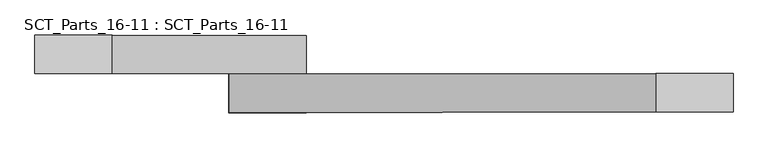
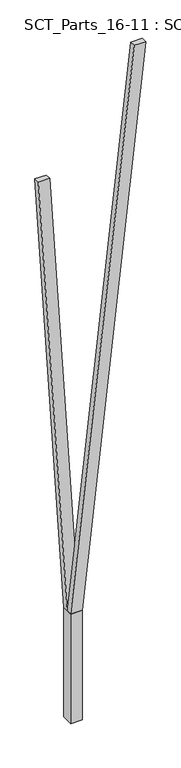
"""IFC4 building model written with IfcOpenShell, lengths in millimetres: proxy geometry, SCT_Parts_16-11 : SCT_Parts_16-11."""

import ifcopenshell
import ifcopenshell.guid

model = None  # the IFC model being written
_history = None  # IfcOwnerHistory: only IFC2X3 demands one
_inside = {}  # id of a spatial element -> (the spatial element, [elements in it])
_under = {}  # id of a project, library or spatial element -> (it, [spatial elements below it])
_declared = {}  # id of a project -> (the project, [libraries it declares])
_typed = {}  # id of a type object -> (the type object, [elements of that type])
_made_of = {}  # id of a material, layer set ... -> (it, [elements and type objects made of it])


def new_model(schema):
    """Start an empty IFC model of exactly this schema.

    Asked for "IFC4X3", IfcOpenShell would pick the latest addendum, in which some entities
    have other attributes; the version numbers below select the first issue.
    IFC2X3 requires an IfcOwnerHistory on every rooted entity: one is made here for all.
    """
    global model, _history
    if schema == "IFC4X3":
        model = ifcopenshell.file(schema_version=(4, 3, 0, 0))
    else:
        model = ifcopenshell.file(schema=schema)
    _inside.clear()
    _under.clear()
    _declared.clear()
    _typed.clear()
    _made_of.clear()
    _history = None
    if model.schema == "IFC2X3":
        org = make("IfcOrganization", Name="unknown")
        user = make(
            "IfcPersonAndOrganization",
            ThePerson=make("IfcPerson", FamilyName="unknown"),
            TheOrganization=org,
        )
        app = make(
            "IfcApplication",
            ApplicationDeveloper=org,
            Version="unknown",
            ApplicationFullName="unknown",
            ApplicationIdentifier="unknown",
        )
        _history = make(
            "IfcOwnerHistory",
            OwningUser=user,
            OwningApplication=app,
            ChangeAction="ADDED",
            CreationDate=0,
        )
    return model


def make(cls, **values):
    """One entity of the class cls with the attributes given. An attribute that is None is left unset."""
    return model.create_entity(
        cls, **{name: value for name, value in values.items() if value is not None}
    )


def rooted(cls, **values):
    """An entity with a GlobalId (a new one), such as an element, a storey or a relation."""
    return make(cls, GlobalId=ifcopenshell.guid.new(), OwnerHistory=_history, **values)


def si_unit(unit_type, name, prefix=None):
    """IfcSIUnit, for example si_unit("LENGTHUNIT", "METRE", prefix="MILLI")."""
    return make("IfcSIUnit", UnitType=unit_type, Prefix=prefix, Name=name)


def assignment(units):
    """IfcUnitAssignment: the units of a project."""
    return None if units is None else make("IfcUnitAssignment", Units=units)


def point(xyz):
    """IfcCartesianPoint."""
    return None if xyz is None else make("IfcCartesianPoint", Coordinates=xyz)


def direction(xyz):
    """IfcDirection."""
    return None if xyz is None else make("IfcDirection", DirectionRatios=xyz)


def frame(location, z_axis=None, x_axis=None):
    """IfcAxis2Placement3D, a coordinate frame: its origin and axes. An axis left out is left unset."""
    return make(
        "IfcAxis2Placement3D",
        Location=point(location),
        Axis=direction(z_axis),
        RefDirection=direction(x_axis),
    )


def origin():
    """The frame at (0, 0, 0) with its axes left unset."""
    return frame((0.0, 0.0, 0.0))


def origin_with_axes():
    """The frame at (0, 0, 0) with the z axis (0, 0, 1) and the x axis (1, 0, 0) written out."""
    return frame((0.0, 0.0, 0.0), z_axis=(0.0, 0.0, 1.0), x_axis=(1.0, 0.0, 0.0))


def place(relative_to, where):
    """IfcLocalPlacement: puts the frame where relative to a parent placement (None: the world)."""
    return make(
        "IfcLocalPlacement", PlacementRelTo=relative_to, RelativePlacement=where
    )


def context(
    kind, dimensions, precision=None, world=None, true_north=None, identifier=None
):
    """IfcGeometricRepresentationContext, for example the 3D "Model" context."""
    return make(
        "IfcGeometricRepresentationContext",
        ContextIdentifier=identifier,
        ContextType=kind,
        CoordinateSpaceDimension=dimensions,
        Precision=precision,
        WorldCoordinateSystem=world,
        TrueNorth=true_north,
    )


def project(units=None, contexts=None):
    """IfcProject with its units and contexts."""
    return rooted(
        "IfcProject",
        Name="project",
        RepresentationContexts=contexts,
        UnitsInContext=assignment(units),
    )


def spatial(cls, under=None, at=None, **own):
    """A site, building, storey or space (cls), placed at a placement, below another one or the project."""
    s = rooted(cls, ObjectPlacement=at, **own)
    if under is not None:
        _under.setdefault(under.id(), (under, []))[1].append(s)
    return s


def polyline(points):
    """IfcPolyline through the points."""
    return make("IfcPolyline", Points=[point(p) for p in points])


def outline(outer, holes=None, kind="AREA"):
    """IfcArbitraryClosedProfileDef: a profile drawn as a closed curve; with holes, ...WithVoids."""
    if holes is None:
        return make("IfcArbitraryClosedProfileDef", ProfileType=kind, OuterCurve=outer)
    return make(
        "IfcArbitraryProfileDefWithVoids",
        ProfileType=kind,
        OuterCurve=outer,
        InnerCurves=holes,
    )


def extrude(swept, where, along, depth):
    """IfcExtrudedAreaSolid: the profile swept, set in the frame where, extruded along a direction by depth."""
    return make(
        "IfcExtrudedAreaSolid",
        SweptArea=swept,
        Position=where,
        ExtrudedDirection=direction(along),
        Depth=depth,
    )


def shape(context_of_items, identifier, shape_type, items):
    """IfcShapeRepresentation: the items that make up one representation, for example the "Body"."""
    return make(
        "IfcShapeRepresentation",
        ContextOfItems=context_of_items,
        RepresentationIdentifier=identifier,
        RepresentationType=shape_type,
        Items=items,
    )


def source(mapping_origin, context_of_items, identifier, shape_type, items):
    """IfcRepresentationMap: a shape defined once, which mapped items show again and again."""
    return make(
        "IfcRepresentationMap",
        MappingOrigin=mapping_origin,
        MappedRepresentation=shape(context_of_items, identifier, shape_type, items),
    )


def transform(
    local_origin,
    x_axis=None,
    y_axis=None,
    z_axis=None,
    scale=None,
    scale2=None,
    scale3=None,
    uniform=True,
):
    """IfcCartesianTransformationOperator3D, or its non-uniform kind. x_axis, y_axis, z_axis: its Axis1, 2, 3."""
    if uniform:
        return make(
            "IfcCartesianTransformationOperator3D",
            Axis1=direction(x_axis),
            Axis2=direction(y_axis),
            LocalOrigin=point(local_origin),
            Scale=scale,
            Axis3=direction(z_axis),
        )
    return make(
        "IfcCartesianTransformationOperator3DnonUniform",
        Axis1=direction(x_axis),
        Axis2=direction(y_axis),
        LocalOrigin=point(local_origin),
        Scale=scale,
        Axis3=direction(z_axis),
        Scale2=scale2,
        Scale3=scale3,
    )


def mapped(mapping_source, mapping_target):
    """IfcMappedItem: shows the shape of a source again, moved by a transform."""
    return make(
        "IfcMappedItem", MappingSource=mapping_source, MappingTarget=mapping_target
    )


def made_of(thing, what):
    """Note that an element or type object is made of a material, layer set ...; save() writes the relation."""
    if what is not None:
        _made_of.setdefault(what.id(), (what, []))[1].append(thing)
    return thing


def element(
    cls,
    number,
    at=None,
    inside=None,
    cuts=None,
    type_object=None,
    material=None,
    context=None,
    identifier="Body",
    shape_type=None,
    held_by="IfcProductDefinitionShape",
    body=None,
    shapes=None,
    **own,
):
    """One element of the class cls, such as IfcWall. Its Tag is "e" and its number.

    at: its placement. inside: the storey or other place that contains it. cuts: it is an
    opening in that element (IfcRelVoidsElement). A single representation is given by context,
    identifier, shape_type and body (its items); several are given by shapes. held_by: the class
    of the entity that holds the representations. save() writes the other relations.
    """
    e = rooted(cls, Tag="e%d" % number, ObjectPlacement=at, **own)
    if body is not None:
        shapes = [shape(context, identifier, shape_type, body)]
    if shapes is not None:
        e.Representation = make(held_by, Representations=shapes)
    if inside is not None:
        _inside.setdefault(inside.id(), (inside, []))[1].append(e)
    if cuts is not None:
        rooted(
            "IfcRelVoidsElement", RelatingBuildingElement=cuts, RelatedOpeningElement=e
        )
    if type_object is not None:
        _typed.setdefault(type_object.id(), (type_object, []))[1].append(e)
    return made_of(e, material)


def aggregate(whole, parts):
    """IfcRelAggregates: a whole, such as a stair, and the parts it consists of."""
    return rooted("IfcRelAggregates", RelatingObject=whole, RelatedObjects=parts)


def save(model, path):
    """Write the relations noted so far, then the file.

    IfcRelAggregates (storeys below a building ...), IfcRelContainedInSpatialStructure (elements
    in a storey), IfcRelDefinesByType, IfcRelAssociatesMaterial and IfcRelDeclares: one each for
    every whole, place, type object, material and project.
    """
    for whole, parts in _under.values():
        aggregate(whole, parts)
    for where, things in _inside.values():
        rooted(
            "IfcRelContainedInSpatialStructure",
            RelatedElements=things,
            RelatingStructure=where,
        )
    for kind, things in _typed.values():
        rooted("IfcRelDefinesByType", RelatedObjects=things, RelatingType=kind)
    for what, things in _made_of.values():
        rooted("IfcRelAssociatesMaterial", RelatedObjects=things, RelatingMaterial=what)
    for by, libraries in _declared.values():
        rooted("IfcRelDeclares", RelatingContext=by, RelatedDefinitions=libraries)
    model.write(path)


def sct_parts_16_11_sct_parts_16_11_3b419662(model_context):
    return source(origin(), model_context, "Body", "SweptSolid", [
        extrude(outline(polyline([(2000.0, 200.0), (12000.0, 1300.0), (12000.0, 1100.0), (2000.0, 0.0), (2000.0, 200.0)])), frame((0.0, -200.0, 0.0), z_axis=(0.0, 1.0, 0.0), x_axis=(0.0, 0.0, 1.0)), (0.0, 0.0, 1.0), 100.0),
        extrude(outline(polyline([(2000.0, 0.0), (2000.0, 200.0), (10000.0, -300.0), (10000.0, -500.0), (2000.0, 0.0)])), frame((0.0, -100.0, 0.0), z_axis=(0.0, 1.0, 0.0), x_axis=(0.0, 0.0, 1.0)), (0.0, 0.0, 1.0), 100.0),
        extrude(outline(polyline([(200.0, -200.0), (0.0, -200.0), (0.0, 0.0), (200.0, 0.0), (200.0, -200.0)])), origin_with_axes(), (0.0, 0.0, 1.0), 2000.0),
    ])


if __name__ == "__main__":
    model = new_model("IFC4")
    model_context = context("Model", 3, world=origin())
    ifc_project = project(units=[si_unit("LENGTHUNIT", "METRE", prefix="MILLI")], contexts=[model_context])
    site = spatial("IfcSite", under=ifc_project)
    building = spatial("IfcBuilding", under=site)
    placement = place(None, origin())
    sct_parts_16_11_sct_parts_16_11_shape = sct_parts_16_11_sct_parts_16_11_3b419662(model_context)
    element("IfcBuildingElementProxy", 1, Name="SCT_Parts_16-11 : SCT_Parts_16-11", ObjectType="SCT_Parts_16-11 : SCT_Parts_16-11", at=placement, inside=building, context=model_context, shape_type="MappedRepresentation", body=[
        mapped(sct_parts_16_11_sct_parts_16_11_shape, transform((0.0, 0.0, 0.0), x_axis=(1.0, 0.0, 0.0), y_axis=(0.0, 1.0, 0.0), z_axis=(0.0, 0.0, 1.0))),
    ])
    save(model, "model.ifc")
